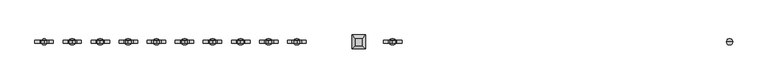
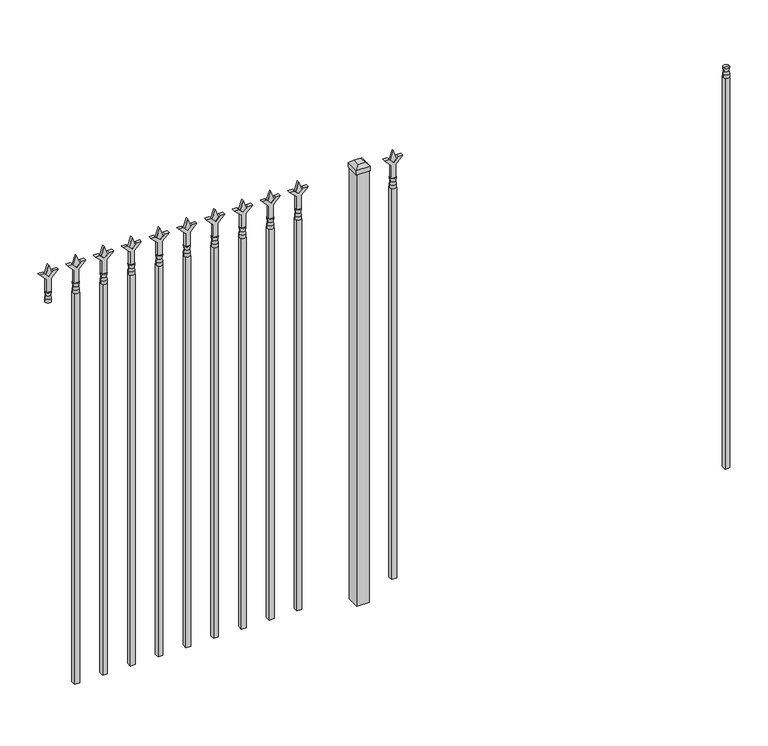
"""IFC4 building model written with IfcOpenShell, lengths in millimetres: railing geometry."""

from ifc_helpers import new_model, si_unit, frame, origin, origin_with_axes, place, context, project, spatial, polyline, circle_curve, outline, extrude, faceted_brep, source, transform, mapped, element, save
from ifc_brep_helpers import plane_surface, cylinder_surface, revolved_surface, advanced_brep


def railing_9a0eeb43(model_context):
    return source(origin(), model_context, "Body", "SolidModel", [
        advanced_brep(
        [(-64411.574337, -635.2570174, 1689.1), (-64435.386837, -635.2570174, 1689.1), (-64435.386837, -635.2570174, 1676.4), (-64411.574337, -635.2570174, 1676.4), (-64413.7796688, -635.2570174, 1701.6070585), (-64433.1815051, -635.2570174, 1701.6070585), (-64411.574337, -635.2570174, 1717.675), (-64435.386837, -635.2570174, 1717.675), (-64423.480587, -635.2570174, 1717.675), (-64423.480587, -635.2570174, 1676.4)],
        [
            (0, 1, circle_curve(frame((-64423.480587, -635.2570174, 1689.1), z_axis=(0.0, 0.0, -1.0), x_axis=(-1.0, 0.0, 0.0)), 11.90625)),
            (1, 2),
            (2, 3, circle_curve(frame((-64423.480587, -635.2570174, 1676.4), z_axis=(0.0, 0.0, 1.0), x_axis=(-1.0, 0.0, 0.0)), 11.90625)),
            (3, 0),
            (1, 0, circle_curve(frame((-64423.480587, -635.2570174, 1689.1), z_axis=(0.0, 0.0, -1.0), x_axis=(-1.0, 0.0, 0.0)), 11.90625)),
            (3, 2, circle_curve(frame((-64423.480587, -635.2570174, 1676.4), z_axis=(0.0, 0.0, 1.0), x_axis=(-1.0, 0.0, 0.0)), 11.90625)),
            (4, 5, circle_curve(frame((-64423.480587, -635.2570174, 1701.6070585), z_axis=(0.0, 0.0, -1.0), x_axis=(-1.0, 0.0, 0.0)), 9.7009181)),
            (5, 1),
            (0, 4),
            (5, 4, circle_curve(frame((-64423.480587, -635.2570174, 1701.6070585), z_axis=(0.0, 0.0, -1.0), x_axis=(-1.0, 0.0, 0.0)), 9.7009181)),
            (6, 7, circle_curve(frame((-64423.480587, -635.2570174, 1717.675), z_axis=(0.0, 0.0, -1.0), x_axis=(-1.0, 0.0, 0.0)), 11.90625)),
            (7, 5),
            (4, 6),
            (7, 6, circle_curve(frame((-64423.480587, -635.2570174, 1717.675), z_axis=(0.0, 0.0, -1.0), x_axis=(-1.0, 0.0, 0.0)), 11.90625)),
            (8, 7),
            (6, 8),
            (2, 9),
            (9, 3),
        ],
        [
            cylinder_surface(frame((-64423.480587, -635.2570174, 1676.4), z_axis=(0.0, 0.0, 1.0), x_axis=(-1.0, 0.0, 0.0)), 11.90625),
            revolved_surface(polyline([(-64435.386837, -635.2570174, 1689.1), (-64433.1815051, -635.2570174, 1701.6070585)]), (-64423.480587, -635.2570174, 1676.4), (0.0, 0.0, 1.0)),
            revolved_surface(polyline([(-64433.1815051, -635.2570174, 1701.6070585), (-64435.386837, -635.2570174, 1717.675)]), (-64423.480587, -635.2570174, 1676.4), (0.0, 0.0, 1.0)),
            plane_surface(frame((-64423.480587, -635.2570174, 1717.675), z_axis=(0.0, 0.0, 1.0), x_axis=(-1.0, 0.0, 0.0))),
            plane_surface(frame((-64423.480587, -635.2570174, 1676.4), z_axis=(0.0, 0.0, -1.0), x_axis=(-1.0, 0.0, 0.0))),
        ],
        [
            (0, [[1, 2, 3, 4]]),
            (0, [[5, -4, 6, -2]]),
            (1, [[7, 8, -1, 9]]),
            (1, [[10, -9, -5, -8]]),
            (2, [[11, 12, -7, 13]]),
            (2, [[14, -13, -10, -12]]),
            (3, [[15, -11, 16]]),
            (3, [[-16, -14, -15]]),
            (4, [[-3, 17, 18]]),
            (4, [[-6, -18, -17]]),
        ],
    ),
        extrude(outline(polyline([(-64433.005587, -625.7320174), (-64413.955587, -625.7320174), (-64413.955587, -644.7820174), (-64433.005587, -644.7820174), (-64433.005587, -625.7320174)])), frame((0.0, 0.0, 50.8), z_axis=(0.0, 0.0, 1.0), x_axis=(1.0, 0.0, 0.0)), (0.0, 0.0, 1.0), 1625.6),
        extrude(outline(polyline([(1793.08125, -65722.849337), (1828.8, -65734.755587), (1793.08125, -65746.661837), (1781.175, -65734.755587), (1793.08125, -65722.849337)])), frame((0.0, -640.0195174, 0.0), z_axis=(0.0, 1.0, 0.0), x_axis=(0.0, 0.0, 1.0)), (0.0, 0.0, 1.0), 9.525),
        extrude(outline(polyline([(1717.675, -65726.024337), (1771.9457378, -65726.024337), (1799.1355122, -65698.8345625), (1799.1355122, -65716.7950747), (1781.175, -65734.755587), (1799.1355122, -65752.7160992), (1799.1355122, -65770.6766114), (1771.9457378, -65743.486837), (1717.675, -65743.486837), (1717.675, -65726.024337)])), frame((0.0, -641.6070174, 0.0), z_axis=(0.0, 1.0, 0.0), x_axis=(0.0, 0.0, 1.0)), (0.0, 0.0, 1.0), 12.7),
        advanced_brep(
        [(-65722.849337, -635.2570174, 1689.1), (-65746.661837, -635.2570174, 1689.1), (-65746.661837, -635.2570174, 1676.4), (-65722.849337, -635.2570174, 1676.4), (-65725.0546688, -635.2570174, 1701.6070585), (-65744.4565051, -635.2570174, 1701.6070585), (-65722.849337, -635.2570174, 1717.675), (-65746.661837, -635.2570174, 1717.675), (-65734.755587, -635.2570174, 1717.675), (-65734.755587, -635.2570174, 1676.4)],
        [
            (0, 1, circle_curve(frame((-65734.755587, -635.2570174, 1689.1), z_axis=(0.0, 0.0, -1.0), x_axis=(-1.0, 0.0, 0.0)), 11.90625)),
            (1, 2),
            (2, 3, circle_curve(frame((-65734.755587, -635.2570174, 1676.4), z_axis=(0.0, 0.0, 1.0), x_axis=(-1.0, 0.0, 0.0)), 11.90625)),
            (3, 0),
            (1, 0, circle_curve(frame((-65734.755587, -635.2570174, 1689.1), z_axis=(0.0, 0.0, -1.0), x_axis=(-1.0, 0.0, 0.0)), 11.90625)),
            (3, 2, circle_curve(frame((-65734.755587, -635.2570174, 1676.4), z_axis=(0.0, 0.0, 1.0), x_axis=(-1.0, 0.0, 0.0)), 11.90625)),
            (4, 5, circle_curve(frame((-65734.755587, -635.2570174, 1701.6070585), z_axis=(0.0, 0.0, -1.0), x_axis=(-1.0, 0.0, 0.0)), 9.7009181)),
            (5, 1),
            (0, 4),
            (5, 4, circle_curve(frame((-65734.755587, -635.2570174, 1701.6070585), z_axis=(0.0, 0.0, -1.0), x_axis=(-1.0, 0.0, 0.0)), 9.7009181)),
            (6, 7, circle_curve(frame((-65734.755587, -635.2570174, 1717.675), z_axis=(0.0, 0.0, -1.0), x_axis=(-1.0, 0.0, 0.0)), 11.90625)),
            (7, 5),
            (4, 6),
            (7, 6, circle_curve(frame((-65734.755587, -635.2570174, 1717.675), z_axis=(0.0, 0.0, -1.0), x_axis=(-1.0, 0.0, 0.0)), 11.90625)),
            (8, 7),
            (6, 8),
            (2, 9),
            (9, 3),
        ],
        [
            cylinder_surface(frame((-65734.755587, -635.2570174, 1676.4), z_axis=(0.0, 0.0, 1.0), x_axis=(-1.0, 0.0, 0.0)), 11.90625),
            revolved_surface(polyline([(-65746.661837, -635.2570174, 1689.1), (-65744.4565051, -635.2570174, 1701.6070585)]), (-65734.755587, -635.2570174, 1676.4), (0.0, 0.0, 1.0)),
            revolved_surface(polyline([(-65744.4565051, -635.2570174, 1701.6070585), (-65746.661837, -635.2570174, 1717.675)]), (-65734.755587, -635.2570174, 1676.4), (0.0, 0.0, 1.0)),
            plane_surface(frame((-65734.755587, -635.2570174, 1717.675), z_axis=(0.0, 0.0, 1.0), x_axis=(-1.0, 0.0, 0.0))),
            plane_surface(frame((-65734.755587, -635.2570174, 1676.4), z_axis=(0.0, 0.0, -1.0), x_axis=(-1.0, 0.0, 0.0))),
        ],
        [
            (0, [[1, 2, 3, 4]]),
            (0, [[5, -4, 6, -2]]),
            (1, [[7, 8, -1, 9]]),
            (1, [[10, -9, -5, -8]]),
            (2, [[11, 12, -7, 13]]),
            (2, [[14, -13, -10, -12]]),
            (3, [[15, -11, 16]]),
            (3, [[-16, -14, -15]]),
            (4, [[-3, 17, 18]]),
            (4, [[-6, -18, -17]]),
        ],
    ),
        extrude(outline(polyline([(-65744.280587, -625.7320174), (-65725.230587, -625.7320174), (-65725.230587, -644.7820174), (-65744.280587, -644.7820174), (-65744.280587, -625.7320174)])), frame((0.0, 0.0, 50.8), z_axis=(0.0, 0.0, 1.0), x_axis=(1.0, 0.0, 0.0)), (0.0, 0.0, 1.0), 1625.6),
        extrude(outline(polyline([(-65841.118087, -609.8570174), (-65841.118087, -660.6570174), (-65891.918087, -660.6570174), (-65891.918087, -609.8570174), (-65841.118087, -609.8570174)])), origin_with_axes(), (0.0, 0.0, 1.0), 1797.05),
        faceted_brep([(-65893.505587, -608.2695174, 1816.1), (-65893.505587, -608.2695174, 1797.05), (-65893.505587, -662.2445174, 1797.05), (-65893.505587, -662.2445174, 1816.1), (-65880.805587, -620.9695174, 1828.8), (-65880.805587, -649.5445174, 1828.8), (-65839.530587, -662.2445174, 1797.05), (-65839.530587, -662.2445174, 1816.1), (-65852.230587, -649.5445174, 1828.8), (-65839.530587, -608.2695174, 1797.05), (-65839.530587, -608.2695174, 1816.1), (-65852.230587, -620.9695174, 1828.8)], [[[0, 1, 2, 3]], [[4, 0, 3, 5]], [[3, 2, 6, 7]], [[5, 3, 7, 8]], [[7, 6, 9, 10]], [[8, 7, 10, 11]], [[10, 9, 1, 0]], [[11, 10, 0, 4]], [[5, 8, 11, 4]], [[1, 9, 6, 2]]]),
        extrude(outline(polyline([(1793.08125, -66095.6472536), (1828.8, -66107.5535036), (1793.08125, -66119.4597536), (1781.175, -66107.5535036), (1793.08125, -66095.6472536)])), frame((0.0, -640.0195174, 0.0), z_axis=(0.0, 1.0, 0.0), x_axis=(0.0, 0.0, 1.0)), (0.0, 0.0, 1.0), 9.525),
        extrude(outline(polyline([(1717.675, -66098.8222536), (1771.9457378, -66098.8222536), (1799.1355122, -66071.6324791), (1799.1355122, -66089.5929914), (1781.175, -66107.5535036), (1799.1355122, -66125.5140159), (1799.1355122, -66143.4745281), (1771.9457378, -66116.2847536), (1717.675, -66116.2847536), (1717.675, -66098.8222536)])), frame((0.0, -641.6070174, 0.0), z_axis=(0.0, 1.0, 0.0), x_axis=(0.0, 0.0, 1.0)), (0.0, 0.0, 1.0), 12.7),
        advanced_brep(
        [(-66095.6472536, -635.2570174, 1689.1), (-66119.4597536, -635.2570174, 1689.1), (-66119.4597536, -635.2570174, 1676.4), (-66095.6472536, -635.2570174, 1676.4), (-66097.8525855, -635.2570174, 1701.6070585), (-66117.2544218, -635.2570174, 1701.6070585), (-66095.6472536, -635.2570174, 1717.675), (-66119.4597536, -635.2570174, 1717.675), (-66107.5535036, -635.2570174, 1717.675), (-66107.5535036, -635.2570174, 1676.4)],
        [
            (0, 1, circle_curve(frame((-66107.5535036, -635.2570174, 1689.1), z_axis=(0.0, 0.0, -1.0), x_axis=(-1.0, 0.0, 0.0)), 11.90625)),
            (1, 2),
            (2, 3, circle_curve(frame((-66107.5535036, -635.2570174, 1676.4), z_axis=(0.0, 0.0, 1.0), x_axis=(-1.0, 0.0, 0.0)), 11.90625)),
            (3, 0),
            (1, 0, circle_curve(frame((-66107.5535036, -635.2570174, 1689.1), z_axis=(0.0, 0.0, -1.0), x_axis=(-1.0, 0.0, 0.0)), 11.90625)),
            (3, 2, circle_curve(frame((-66107.5535036, -635.2570174, 1676.4), z_axis=(0.0, 0.0, 1.0), x_axis=(-1.0, 0.0, 0.0)), 11.90625)),
            (4, 5, circle_curve(frame((-66107.5535036, -635.2570174, 1701.6070585), z_axis=(0.0, 0.0, -1.0), x_axis=(-1.0, 0.0, 0.0)), 9.7009181)),
            (5, 1),
            (0, 4),
            (5, 4, circle_curve(frame((-66107.5535036, -635.2570174, 1701.6070585), z_axis=(0.0, 0.0, -1.0), x_axis=(-1.0, 0.0, 0.0)), 9.7009181)),
            (6, 7, circle_curve(frame((-66107.5535036, -635.2570174, 1717.675), z_axis=(0.0, 0.0, -1.0), x_axis=(-1.0, 0.0, 0.0)), 11.90625)),
            (7, 5),
            (4, 6),
            (7, 6, circle_curve(frame((-66107.5535036, -635.2570174, 1717.675), z_axis=(0.0, 0.0, -1.0), x_axis=(-1.0, 0.0, 0.0)), 11.90625)),
            (8, 7),
            (6, 8),
            (2, 9),
            (9, 3),
        ],
        [
            cylinder_surface(frame((-66107.5535036, -635.2570174, 1676.4), z_axis=(0.0, 0.0, 1.0), x_axis=(-1.0, 0.0, 0.0)), 11.90625),
            revolved_surface(polyline([(-66119.4597536, -635.2570174, 1689.1), (-66117.2544218, -635.2570174, 1701.6070585)]), (-66107.5535036, -635.2570174, 1676.4), (0.0, 0.0, 1.0)),
            revolved_surface(polyline([(-66117.2544218, -635.2570174, 1701.6070585), (-66119.4597536, -635.2570174, 1717.675)]), (-66107.5535036, -635.2570174, 1676.4), (0.0, 0.0, 1.0)),
            plane_surface(frame((-66107.5535036, -635.2570174, 1717.675), z_axis=(0.0, 0.0, 1.0), x_axis=(-1.0, 0.0, 0.0))),
            plane_surface(frame((-66107.5535036, -635.2570174, 1676.4), z_axis=(0.0, 0.0, -1.0), x_axis=(-1.0, 0.0, 0.0))),
        ],
        [
            (0, [[1, 2, 3, 4]]),
            (0, [[5, -4, 6, -2]]),
            (1, [[7, 8, -1, 9]]),
            (1, [[10, -9, -5, -8]]),
            (2, [[11, 12, -7, 13]]),
            (2, [[14, -13, -10, -12]]),
            (3, [[15, -11, 16]]),
            (3, [[-16, -14, -15]]),
            (4, [[-3, 17, 18]]),
            (4, [[-6, -18, -17]]),
        ],
    ),
        extrude(outline(polyline([(-66117.0785036, -625.7320174), (-66098.0285036, -625.7320174), (-66098.0285036, -644.7820174), (-66117.0785036, -644.7820174), (-66117.0785036, -625.7320174)])), frame((0.0, 0.0, 50.8), z_axis=(0.0, 0.0, 1.0), x_axis=(1.0, 0.0, 0.0)), (0.0, 0.0, 1.0), 1625.6),
        extrude(outline(polyline([(1793.08125, -66204.9201703), (1828.8, -66216.8264203), (1793.08125, -66228.7326703), (1781.175, -66216.8264203), (1793.08125, -66204.9201703)])), frame((0.0, -640.0195174, 0.0), z_axis=(0.0, 1.0, 0.0), x_axis=(0.0, 0.0, 1.0)), (0.0, 0.0, 1.0), 9.525),
        extrude(outline(polyline([(1717.675, -66208.0951703), (1771.9457378, -66208.0951703), (1799.1355122, -66180.9053958), (1799.1355122, -66198.8659081), (1781.175, -66216.8264203), (1799.1355122, -66234.7869325), (1799.1355122, -66252.7474448), (1771.9457378, -66225.5576703), (1717.675, -66225.5576703), (1717.675, -66208.0951703)])), frame((0.0, -641.6070174, 0.0), z_axis=(0.0, 1.0, 0.0), x_axis=(0.0, 0.0, 1.0)), (0.0, 0.0, 1.0), 12.7),
        advanced_brep(
        [(-66204.9201703, -635.2570174, 1689.1), (-66228.7326703, -635.2570174, 1689.1), (-66228.7326703, -635.2570174, 1676.4), (-66204.9201703, -635.2570174, 1676.4), (-66207.1255022, -635.2570174, 1701.6070585), (-66226.5273384, -635.2570174, 1701.6070585), (-66204.9201703, -635.2570174, 1717.675), (-66228.7326703, -635.2570174, 1717.675), (-66216.8264203, -635.2570174, 1717.675), (-66216.8264203, -635.2570174, 1676.4)],
        [
            (0, 1, circle_curve(frame((-66216.8264203, -635.2570174, 1689.1), z_axis=(0.0, 0.0, -1.0), x_axis=(-1.0, 0.0, 0.0)), 11.90625)),
            (1, 2),
            (2, 3, circle_curve(frame((-66216.8264203, -635.2570174, 1676.4), z_axis=(0.0, 0.0, 1.0), x_axis=(-1.0, 0.0, 0.0)), 11.90625)),
            (3, 0),
            (1, 0, circle_curve(frame((-66216.8264203, -635.2570174, 1689.1), z_axis=(0.0, 0.0, -1.0), x_axis=(-1.0, 0.0, 0.0)), 11.90625)),
            (3, 2, circle_curve(frame((-66216.8264203, -635.2570174, 1676.4), z_axis=(0.0, 0.0, 1.0), x_axis=(-1.0, 0.0, 0.0)), 11.90625)),
            (4, 5, circle_curve(frame((-66216.8264203, -635.2570174, 1701.6070585), z_axis=(0.0, 0.0, -1.0), x_axis=(-1.0, 0.0, 0.0)), 9.7009181)),
            (5, 1),
            (0, 4),
            (5, 4, circle_curve(frame((-66216.8264203, -635.2570174, 1701.6070585), z_axis=(0.0, 0.0, -1.0), x_axis=(-1.0, 0.0, 0.0)), 9.7009181)),
            (6, 7, circle_curve(frame((-66216.8264203, -635.2570174, 1717.675), z_axis=(0.0, 0.0, -1.0), x_axis=(-1.0, 0.0, 0.0)), 11.90625)),
            (7, 5),
            (4, 6),
            (7, 6, circle_curve(frame((-66216.8264203, -635.2570174, 1717.675), z_axis=(0.0, 0.0, -1.0), x_axis=(-1.0, 0.0, 0.0)), 11.90625)),
            (8, 7),
            (6, 8),
            (2, 9),
            (9, 3),
        ],
        [
            cylinder_surface(frame((-66216.8264203, -635.2570174, 1676.4), z_axis=(0.0, 0.0, 1.0), x_axis=(-1.0, 0.0, 0.0)), 11.90625),
            revolved_surface(polyline([(-66228.7326703, -635.2570174, 1689.1), (-66226.5273384, -635.2570174, 1701.6070585)]), (-66216.8264203, -635.2570174, 1676.4), (0.0, 0.0, 1.0)),
            revolved_surface(polyline([(-66226.5273384, -635.2570174, 1701.6070585), (-66228.7326703, -635.2570174, 1717.675)]), (-66216.8264203, -635.2570174, 1676.4), (0.0, 0.0, 1.0)),
            plane_surface(frame((-66216.8264203, -635.2570174, 1717.675), z_axis=(0.0, 0.0, 1.0), x_axis=(-1.0, 0.0, 0.0))),
            plane_surface(frame((-66216.8264203, -635.2570174, 1676.4), z_axis=(0.0, 0.0, -1.0), x_axis=(-1.0, 0.0, 0.0))),
        ],
        [
            (0, [[1, 2, 3, 4]]),
            (0, [[5, -4, 6, -2]]),
            (1, [[7, 8, -1, 9]]),
            (1, [[10, -9, -5, -8]]),
            (2, [[11, 12, -7, 13]]),
            (2, [[14, -13, -10, -12]]),
            (3, [[15, -11, 16]]),
            (3, [[-16, -14, -15]]),
            (4, [[-3, 17, 18]]),
            (4, [[-6, -18, -17]]),
        ],
    ),
        extrude(outline(polyline([(-66226.3514203, -625.7320174), (-66207.3014203, -625.7320174), (-66207.3014203, -644.7820174), (-66226.3514203, -644.7820174), (-66226.3514203, -625.7320174)])), frame((0.0, 0.0, 50.8), z_axis=(0.0, 0.0, 1.0), x_axis=(1.0, 0.0, 0.0)), (0.0, 0.0, 1.0), 1625.6),
        extrude(outline(polyline([(1793.08125, -66314.193087), (1828.8, -66326.099337), (1793.08125, -66338.005587), (1781.175, -66326.099337), (1793.08125, -66314.193087)])), frame((0.0, -640.0195174, 0.0), z_axis=(0.0, 1.0, 0.0), x_axis=(0.0, 0.0, 1.0)), (0.0, 0.0, 1.0), 9.525),
        extrude(outline(polyline([(1717.675, -66317.368087), (1771.9457378, -66317.368087), (1799.1355122, -66290.1783125), (1799.1355122, -66308.1388247), (1781.175, -66326.099337), (1799.1355122, -66344.0598492), (1799.1355122, -66362.0203614), (1771.9457378, -66334.830587), (1717.675, -66334.830587), (1717.675, -66317.368087)])), frame((0.0, -641.6070174, 0.0), z_axis=(0.0, 1.0, 0.0), x_axis=(0.0, 0.0, 1.0)), (0.0, 0.0, 1.0), 12.7),
        advanced_brep(
        [(-66314.193087, -635.2570174, 1689.1), (-66338.005587, -635.2570174, 1689.1), (-66338.005587, -635.2570174, 1676.4), (-66314.193087, -635.2570174, 1676.4), (-66316.3984188, -635.2570174, 1701.6070585), (-66335.8002551, -635.2570174, 1701.6070585), (-66314.193087, -635.2570174, 1717.675), (-66338.005587, -635.2570174, 1717.675), (-66326.099337, -635.2570174, 1717.675), (-66326.099337, -635.2570174, 1676.4)],
        [
            (0, 1, circle_curve(frame((-66326.099337, -635.2570174, 1689.1), z_axis=(0.0, 0.0, -1.0), x_axis=(-1.0, 0.0, 0.0)), 11.90625)),
            (1, 2),
            (2, 3, circle_curve(frame((-66326.099337, -635.2570174, 1676.4), z_axis=(0.0, 0.0, 1.0), x_axis=(-1.0, 0.0, 0.0)), 11.90625)),
            (3, 0),
            (1, 0, circle_curve(frame((-66326.099337, -635.2570174, 1689.1), z_axis=(0.0, 0.0, -1.0), x_axis=(-1.0, 0.0, 0.0)), 11.90625)),
            (3, 2, circle_curve(frame((-66326.099337, -635.2570174, 1676.4), z_axis=(0.0, 0.0, 1.0), x_axis=(-1.0, 0.0, 0.0)), 11.90625)),
            (4, 5, circle_curve(frame((-66326.099337, -635.2570174, 1701.6070585), z_axis=(0.0, 0.0, -1.0), x_axis=(-1.0, 0.0, 0.0)), 9.7009181)),
            (5, 1),
            (0, 4),
            (5, 4, circle_curve(frame((-66326.099337, -635.2570174, 1701.6070585), z_axis=(0.0, 0.0, -1.0), x_axis=(-1.0, 0.0, 0.0)), 9.7009181)),
            (6, 7, circle_curve(frame((-66326.099337, -635.2570174, 1717.675), z_axis=(0.0, 0.0, -1.0), x_axis=(-1.0, 0.0, 0.0)), 11.90625)),
            (7, 5),
            (4, 6),
            (7, 6, circle_curve(frame((-66326.099337, -635.2570174, 1717.675), z_axis=(0.0, 0.0, -1.0), x_axis=(-1.0, 0.0, 0.0)), 11.90625)),
            (8, 7),
            (6, 8),
            (2, 9),
            (9, 3),
        ],
        [
            cylinder_surface(frame((-66326.099337, -635.2570174, 1676.4), z_axis=(0.0, 0.0, 1.0), x_axis=(-1.0, 0.0, 0.0)), 11.90625),
            revolved_surface(polyline([(-66338.005587, -635.2570174, 1689.1), (-66335.8002551, -635.2570174, 1701.6070585)]), (-66326.099337, -635.2570174, 1676.4), (0.0, 0.0, 1.0)),
            revolved_surface(polyline([(-66335.8002551, -635.2570174, 1701.6070585), (-66338.005587, -635.2570174, 1717.675)]), (-66326.099337, -635.2570174, 1676.4), (0.0, 0.0, 1.0)),
            plane_surface(frame((-66326.099337, -635.2570174, 1717.675), z_axis=(0.0, 0.0, 1.0), x_axis=(-1.0, 0.0, 0.0))),
            plane_surface(frame((-66326.099337, -635.2570174, 1676.4), z_axis=(0.0, 0.0, -1.0), x_axis=(-1.0, 0.0, 0.0))),
        ],
        [
            (0, [[1, 2, 3, 4]]),
            (0, [[5, -4, 6, -2]]),
            (1, [[7, 8, -1, 9]]),
            (1, [[10, -9, -5, -8]]),
            (2, [[11, 12, -7, 13]]),
            (2, [[14, -13, -10, -12]]),
            (3, [[15, -11, 16]]),
            (3, [[-16, -14, -15]]),
            (4, [[-3, 17, 18]]),
            (4, [[-6, -18, -17]]),
        ],
    ),
        extrude(outline(polyline([(-66335.624337, -625.7320174), (-66316.574337, -625.7320174), (-66316.574337, -644.7820174), (-66335.624337, -644.7820174), (-66335.624337, -625.7320174)])), frame((0.0, 0.0, 50.8), z_axis=(0.0, 0.0, 1.0), x_axis=(1.0, 0.0, 0.0)), (0.0, 0.0, 1.0), 1625.6),
        extrude(outline(polyline([(1793.08125, -66423.4660036), (1828.8, -66435.3722536), (1793.08125, -66447.2785036), (1781.175, -66435.3722536), (1793.08125, -66423.4660036)])), frame((0.0, -640.0195174, 0.0), z_axis=(0.0, 1.0, 0.0), x_axis=(0.0, 0.0, 1.0)), (0.0, 0.0, 1.0), 9.525),
        extrude(outline(polyline([(1717.675, -66426.6410036), (1771.9457378, -66426.6410036), (1799.1355122, -66399.4512291), (1799.1355122, -66417.4117414), (1781.175, -66435.3722536), (1799.1355122, -66453.3327659), (1799.1355122, -66471.2932781), (1771.9457378, -66444.1035036), (1717.675, -66444.1035036), (1717.675, -66426.6410036)])), frame((0.0, -641.6070174, 0.0), z_axis=(0.0, 1.0, 0.0), x_axis=(0.0, 0.0, 1.0)), (0.0, 0.0, 1.0), 12.7),
        advanced_brep(
        [(-66423.4660036, -635.2570174, 1689.1), (-66447.2785036, -635.2570174, 1689.1), (-66447.2785036, -635.2570174, 1676.4), (-66423.4660036, -635.2570174, 1676.4), (-66425.6713355, -635.2570174, 1701.6070585), (-66445.0731718, -635.2570174, 1701.6070585), (-66423.4660036, -635.2570174, 1717.675), (-66447.2785036, -635.2570174, 1717.675), (-66435.3722536, -635.2570174, 1717.675), (-66435.3722536, -635.2570174, 1676.4)],
        [
            (0, 1, circle_curve(frame((-66435.3722536, -635.2570174, 1689.1), z_axis=(0.0, 0.0, -1.0), x_axis=(-1.0, 0.0, 0.0)), 11.90625)),
            (1, 2),
            (2, 3, circle_curve(frame((-66435.3722536, -635.2570174, 1676.4), z_axis=(0.0, 0.0, 1.0), x_axis=(-1.0, 0.0, 0.0)), 11.90625)),
            (3, 0),
            (1, 0, circle_curve(frame((-66435.3722536, -635.2570174, 1689.1), z_axis=(0.0, 0.0, -1.0), x_axis=(-1.0, 0.0, 0.0)), 11.90625)),
            (3, 2, circle_curve(frame((-66435.3722536, -635.2570174, 1676.4), z_axis=(0.0, 0.0, 1.0), x_axis=(-1.0, 0.0, 0.0)), 11.90625)),
            (4, 5, circle_curve(frame((-66435.3722536, -635.2570174, 1701.6070585), z_axis=(0.0, 0.0, -1.0), x_axis=(-1.0, 0.0, 0.0)), 9.7009181)),
            (5, 1),
            (0, 4),
            (5, 4, circle_curve(frame((-66435.3722536, -635.2570174, 1701.6070585), z_axis=(0.0, 0.0, -1.0), x_axis=(-1.0, 0.0, 0.0)), 9.7009181)),
            (6, 7, circle_curve(frame((-66435.3722536, -635.2570174, 1717.675), z_axis=(0.0, 0.0, -1.0), x_axis=(-1.0, 0.0, 0.0)), 11.90625)),
            (7, 5),
            (4, 6),
            (7, 6, circle_curve(frame((-66435.3722536, -635.2570174, 1717.675), z_axis=(0.0, 0.0, -1.0), x_axis=(-1.0, 0.0, 0.0)), 11.90625)),
            (8, 7),
            (6, 8),
            (2, 9),
            (9, 3),
        ],
        [
            cylinder_surface(frame((-66435.3722536, -635.2570174, 1676.4), z_axis=(0.0, 0.0, 1.0), x_axis=(-1.0, 0.0, 0.0)), 11.90625),
            revolved_surface(polyline([(-66447.2785036, -635.2570174, 1689.1), (-66445.0731718, -635.2570174, 1701.6070585)]), (-66435.3722536, -635.2570174, 1676.4), (0.0, 0.0, 1.0)),
            revolved_surface(polyline([(-66445.0731718, -635.2570174, 1701.6070585), (-66447.2785036, -635.2570174, 1717.675)]), (-66435.3722536, -635.2570174, 1676.4), (0.0, 0.0, 1.0)),
            plane_surface(frame((-66435.3722536, -635.2570174, 1717.675), z_axis=(0.0, 0.0, 1.0), x_axis=(-1.0, 0.0, 0.0))),
            plane_surface(frame((-66435.3722536, -635.2570174, 1676.4), z_axis=(0.0, 0.0, -1.0), x_axis=(-1.0, 0.0, 0.0))),
        ],
        [
            (0, [[1, 2, 3, 4]]),
            (0, [[5, -4, 6, -2]]),
            (1, [[7, 8, -1, 9]]),
            (1, [[10, -9, -5, -8]]),
            (2, [[11, 12, -7, 13]]),
            (2, [[14, -13, -10, -12]]),
            (3, [[15, -11, 16]]),
            (3, [[-16, -14, -15]]),
            (4, [[-3, 17, 18]]),
            (4, [[-6, -18, -17]]),
        ],
    ),
        extrude(outline(polyline([(-66444.8972536, -625.7320174), (-66425.8472536, -625.7320174), (-66425.8472536, -644.7820174), (-66444.8972536, -644.7820174), (-66444.8972536, -625.7320174)])), frame((0.0, 0.0, 50.8), z_axis=(0.0, 0.0, 1.0), x_axis=(1.0, 0.0, 0.0)), (0.0, 0.0, 1.0), 1625.6),
        extrude(outline(polyline([(1793.08125, -66532.7389203), (1828.8, -66544.6451703), (1793.08125, -66556.5514203), (1781.175, -66544.6451703), (1793.08125, -66532.7389203)])), frame((0.0, -640.0195174, 0.0), z_axis=(0.0, 1.0, 0.0), x_axis=(0.0, 0.0, 1.0)), (0.0, 0.0, 1.0), 9.525),
        extrude(outline(polyline([(1717.675, -66535.9139203), (1771.9457378, -66535.9139203), (1799.1355122, -66508.7241458), (1799.1355122, -66526.6846581), (1781.175, -66544.6451703), (1799.1355122, -66562.6056825), (1799.1355122, -66580.5661948), (1771.9457378, -66553.3764203), (1717.675, -66553.3764203), (1717.675, -66535.9139203)])), frame((0.0, -641.6070174, 0.0), z_axis=(0.0, 1.0, 0.0), x_axis=(0.0, 0.0, 1.0)), (0.0, 0.0, 1.0), 12.7),
        advanced_brep(
        [(-66532.7389203, -635.2570174, 1689.1), (-66556.5514203, -635.2570174, 1689.1), (-66556.5514203, -635.2570174, 1676.4), (-66532.7389203, -635.2570174, 1676.4), (-66534.9442522, -635.2570174, 1701.6070585), (-66554.3460884, -635.2570174, 1701.6070585), (-66532.7389203, -635.2570174, 1717.675), (-66556.5514203, -635.2570174, 1717.675), (-66544.6451703, -635.2570174, 1717.675), (-66544.6451703, -635.2570174, 1676.4)],
        [
            (0, 1, circle_curve(frame((-66544.6451703, -635.2570174, 1689.1), z_axis=(0.0, 0.0, -1.0), x_axis=(-1.0, 0.0, 0.0)), 11.90625)),
            (1, 2),
            (2, 3, circle_curve(frame((-66544.6451703, -635.2570174, 1676.4), z_axis=(0.0, 0.0, 1.0), x_axis=(-1.0, 0.0, 0.0)), 11.90625)),
            (3, 0),
            (1, 0, circle_curve(frame((-66544.6451703, -635.2570174, 1689.1), z_axis=(0.0, 0.0, -1.0), x_axis=(-1.0, 0.0, 0.0)), 11.90625)),
            (3, 2, circle_curve(frame((-66544.6451703, -635.2570174, 1676.4), z_axis=(0.0, 0.0, 1.0), x_axis=(-1.0, 0.0, 0.0)), 11.90625)),
            (4, 5, circle_curve(frame((-66544.6451703, -635.2570174, 1701.6070585), z_axis=(0.0, 0.0, -1.0), x_axis=(-1.0, 0.0, 0.0)), 9.7009181)),
            (5, 1),
            (0, 4),
            (5, 4, circle_curve(frame((-66544.6451703, -635.2570174, 1701.6070585), z_axis=(0.0, 0.0, -1.0), x_axis=(-1.0, 0.0, 0.0)), 9.7009181)),
            (6, 7, circle_curve(frame((-66544.6451703, -635.2570174, 1717.675), z_axis=(0.0, 0.0, -1.0), x_axis=(-1.0, 0.0, 0.0)), 11.90625)),
            (7, 5),
            (4, 6),
            (7, 6, circle_curve(frame((-66544.6451703, -635.2570174, 1717.675), z_axis=(0.0, 0.0, -1.0), x_axis=(-1.0, 0.0, 0.0)), 11.90625)),
            (8, 7),
            (6, 8),
            (2, 9),
            (9, 3),
        ],
        [
            cylinder_surface(frame((-66544.6451703, -635.2570174, 1676.4), z_axis=(0.0, 0.0, 1.0), x_axis=(-1.0, 0.0, 0.0)), 11.90625),
            revolved_surface(polyline([(-66556.5514203, -635.2570174, 1689.1), (-66554.3460884, -635.2570174, 1701.6070585)]), (-66544.6451703, -635.2570174, 1676.4), (0.0, 0.0, 1.0)),
            revolved_surface(polyline([(-66554.3460884, -635.2570174, 1701.6070585), (-66556.5514203, -635.2570174, 1717.675)]), (-66544.6451703, -635.2570174, 1676.4), (0.0, 0.0, 1.0)),
            plane_surface(frame((-66544.6451703, -635.2570174, 1717.675), z_axis=(0.0, 0.0, 1.0), x_axis=(-1.0, 0.0, 0.0))),
            plane_surface(frame((-66544.6451703, -635.2570174, 1676.4), z_axis=(0.0, 0.0, -1.0), x_axis=(-1.0, 0.0, 0.0))),
        ],
        [
            (0, [[1, 2, 3, 4]]),
            (0, [[5, -4, 6, -2]]),
            (1, [[7, 8, -1, 9]]),
            (1, [[10, -9, -5, -8]]),
            (2, [[11, 12, -7, 13]]),
            (2, [[14, -13, -10, -12]]),
            (3, [[15, -11, 16]]),
            (3, [[-16, -14, -15]]),
            (4, [[-3, 17, 18]]),
            (4, [[-6, -18, -17]]),
        ],
    ),
        extrude(outline(polyline([(-66554.1701703, -625.7320174), (-66535.1201703, -625.7320174), (-66535.1201703, -644.7820174), (-66554.1701703, -644.7820174), (-66554.1701703, -625.7320174)])), frame((0.0, 0.0, 50.8), z_axis=(0.0, 0.0, 1.0), x_axis=(1.0, 0.0, 0.0)), (0.0, 0.0, 1.0), 1625.6),
        extrude(outline(polyline([(1793.08125, -66642.011837), (1828.8, -66653.918087), (1793.08125, -66665.824337), (1781.175, -66653.918087), (1793.08125, -66642.011837)])), frame((0.0, -640.0195174, 0.0), z_axis=(0.0, 1.0, 0.0), x_axis=(0.0, 0.0, 1.0)), (0.0, 0.0, 1.0), 9.525),
        extrude(outline(polyline([(1717.675, -66645.186837), (1771.9457378, -66645.186837), (1799.1355122, -66617.9970625), (1799.1355122, -66635.9575747), (1781.175, -66653.918087), (1799.1355122, -66671.8785992), (1799.1355122, -66689.8391114), (1771.9457378, -66662.649337), (1717.675, -66662.649337), (1717.675, -66645.186837)])), frame((0.0, -641.6070174, 0.0), z_axis=(0.0, 1.0, 0.0), x_axis=(0.0, 0.0, 1.0)), (0.0, 0.0, 1.0), 12.7),
        advanced_brep(
        [(-66642.011837, -635.2570174, 1689.1), (-66665.824337, -635.2570174, 1689.1), (-66665.824337, -635.2570174, 1676.4), (-66642.011837, -635.2570174, 1676.4), (-66644.2171688, -635.2570174, 1701.6070585), (-66663.6190051, -635.2570174, 1701.6070585), (-66642.011837, -635.2570174, 1717.675), (-66665.824337, -635.2570174, 1717.675), (-66653.918087, -635.2570174, 1717.675), (-66653.918087, -635.2570174, 1676.4)],
        [
            (0, 1, circle_curve(frame((-66653.918087, -635.2570174, 1689.1), z_axis=(0.0, 0.0, -1.0), x_axis=(-1.0, 0.0, 0.0)), 11.90625)),
            (1, 2),
            (2, 3, circle_curve(frame((-66653.918087, -635.2570174, 1676.4), z_axis=(0.0, 0.0, 1.0), x_axis=(-1.0, 0.0, 0.0)), 11.90625)),
            (3, 0),
            (1, 0, circle_curve(frame((-66653.918087, -635.2570174, 1689.1), z_axis=(0.0, 0.0, -1.0), x_axis=(-1.0, 0.0, 0.0)), 11.90625)),
            (3, 2, circle_curve(frame((-66653.918087, -635.2570174, 1676.4), z_axis=(0.0, 0.0, 1.0), x_axis=(-1.0, 0.0, 0.0)), 11.90625)),
            (4, 5, circle_curve(frame((-66653.918087, -635.2570174, 1701.6070585), z_axis=(0.0, 0.0, -1.0), x_axis=(-1.0, 0.0, 0.0)), 9.7009181)),
            (5, 1),
            (0, 4),
            (5, 4, circle_curve(frame((-66653.918087, -635.2570174, 1701.6070585), z_axis=(0.0, 0.0, -1.0), x_axis=(-1.0, 0.0, 0.0)), 9.7009181)),
            (6, 7, circle_curve(frame((-66653.918087, -635.2570174, 1717.675), z_axis=(0.0, 0.0, -1.0), x_axis=(-1.0, 0.0, 0.0)), 11.90625)),
            (7, 5),
            (4, 6),
            (7, 6, circle_curve(frame((-66653.918087, -635.2570174, 1717.675), z_axis=(0.0, 0.0, -1.0), x_axis=(-1.0, 0.0, 0.0)), 11.90625)),
            (8, 7),
            (6, 8),
            (2, 9),
            (9, 3),
        ],
        [
            cylinder_surface(frame((-66653.918087, -635.2570174, 1676.4), z_axis=(0.0, 0.0, 1.0), x_axis=(-1.0, 0.0, 0.0)), 11.90625),
            revolved_surface(polyline([(-66665.824337, -635.2570174, 1689.1), (-66663.6190051, -635.2570174, 1701.6070585)]), (-66653.918087, -635.2570174, 1676.4), (0.0, 0.0, 1.0)),
            revolved_surface(polyline([(-66663.6190051, -635.2570174, 1701.6070585), (-66665.824337, -635.2570174, 1717.675)]), (-66653.918087, -635.2570174, 1676.4), (0.0, 0.0, 1.0)),
            plane_surface(frame((-66653.918087, -635.2570174, 1717.675), z_axis=(0.0, 0.0, 1.0), x_axis=(-1.0, 0.0, 0.0))),
            plane_surface(frame((-66653.918087, -635.2570174, 1676.4), z_axis=(0.0, 0.0, -1.0), x_axis=(-1.0, 0.0, 0.0))),
        ],
        [
            (0, [[1, 2, 3, 4]]),
            (0, [[5, -4, 6, -2]]),
            (1, [[7, 8, -1, 9]]),
            (1, [[10, -9, -5, -8]]),
            (2, [[11, 12, -7, 13]]),
            (2, [[14, -13, -10, -12]]),
            (3, [[15, -11, 16]]),
            (3, [[-16, -14, -15]]),
            (4, [[-3, 17, 18]]),
            (4, [[-6, -18, -17]]),
        ],
    ),
        extrude(outline(polyline([(-66663.443087, -625.7320174), (-66644.393087, -625.7320174), (-66644.393087, -644.7820174), (-66663.443087, -644.7820174), (-66663.443087, -625.7320174)])), frame((0.0, 0.0, 50.8), z_axis=(0.0, 0.0, 1.0), x_axis=(1.0, 0.0, 0.0)), (0.0, 0.0, 1.0), 1625.6),
        extrude(outline(polyline([(1793.08125, -66751.2847536), (1828.8, -66763.1910036), (1793.08125, -66775.0972536), (1781.175, -66763.1910036), (1793.08125, -66751.2847536)])), frame((0.0, -640.0195174, 0.0), z_axis=(0.0, 1.0, 0.0), x_axis=(0.0, 0.0, 1.0)), (0.0, 0.0, 1.0), 9.525),
        extrude(outline(polyline([(1717.675, -66754.4597536), (1771.9457378, -66754.4597536), (1799.1355122, -66727.2699791), (1799.1355122, -66745.2304914), (1781.175, -66763.1910036), (1799.1355122, -66781.1515159), (1799.1355122, -66799.1120281), (1771.9457378, -66771.9222536), (1717.675, -66771.9222536), (1717.675, -66754.4597536)])), frame((0.0, -641.6070174, 0.0), z_axis=(0.0, 1.0, 0.0), x_axis=(0.0, 0.0, 1.0)), (0.0, 0.0, 1.0), 12.7),
        advanced_brep(
        [(-66751.2847536, -635.2570174, 1689.1), (-66775.0972536, -635.2570174, 1689.1), (-66775.0972536, -635.2570174, 1676.4), (-66751.2847536, -635.2570174, 1676.4), (-66753.4900855, -635.2570174, 1701.6070585), (-66772.8919218, -635.2570174, 1701.6070585), (-66751.2847536, -635.2570174, 1717.675), (-66775.0972536, -635.2570174, 1717.675), (-66763.1910036, -635.2570174, 1717.675), (-66763.1910036, -635.2570174, 1676.4)],
        [
            (0, 1, circle_curve(frame((-66763.1910036, -635.2570174, 1689.1), z_axis=(0.0, 0.0, -1.0), x_axis=(-1.0, 0.0, 0.0)), 11.90625)),
            (1, 2),
            (2, 3, circle_curve(frame((-66763.1910036, -635.2570174, 1676.4), z_axis=(0.0, 0.0, 1.0), x_axis=(-1.0, 0.0, 0.0)), 11.90625)),
            (3, 0),
            (1, 0, circle_curve(frame((-66763.1910036, -635.2570174, 1689.1), z_axis=(0.0, 0.0, -1.0), x_axis=(-1.0, 0.0, 0.0)), 11.90625)),
            (3, 2, circle_curve(frame((-66763.1910036, -635.2570174, 1676.4), z_axis=(0.0, 0.0, 1.0), x_axis=(-1.0, 0.0, 0.0)), 11.90625)),
            (4, 5, circle_curve(frame((-66763.1910036, -635.2570174, 1701.6070585), z_axis=(0.0, 0.0, -1.0), x_axis=(-1.0, 0.0, 0.0)), 9.7009181)),
            (5, 1),
            (0, 4),
            (5, 4, circle_curve(frame((-66763.1910036, -635.2570174, 1701.6070585), z_axis=(0.0, 0.0, -1.0), x_axis=(-1.0, 0.0, 0.0)), 9.7009181)),
            (6, 7, circle_curve(frame((-66763.1910036, -635.2570174, 1717.675), z_axis=(0.0, 0.0, -1.0), x_axis=(-1.0, 0.0, 0.0)), 11.90625)),
            (7, 5),
            (4, 6),
            (7, 6, circle_curve(frame((-66763.1910036, -635.2570174, 1717.675), z_axis=(0.0, 0.0, -1.0), x_axis=(-1.0, 0.0, 0.0)), 11.90625)),
            (8, 7),
            (6, 8),
            (2, 9),
            (9, 3),
        ],
        [
            cylinder_surface(frame((-66763.1910036, -635.2570174, 1676.4), z_axis=(0.0, 0.0, 1.0), x_axis=(-1.0, 0.0, 0.0)), 11.90625),
            revolved_surface(polyline([(-66775.0972536, -635.2570174, 1689.1), (-66772.8919218, -635.2570174, 1701.6070585)]), (-66763.1910036, -635.2570174, 1676.4), (0.0, 0.0, 1.0)),
            revolved_surface(polyline([(-66772.8919218, -635.2570174, 1701.6070585), (-66775.0972536, -635.2570174, 1717.675)]), (-66763.1910036, -635.2570174, 1676.4), (0.0, 0.0, 1.0)),
            plane_surface(frame((-66763.1910036, -635.2570174, 1717.675), z_axis=(0.0, 0.0, 1.0), x_axis=(-1.0, 0.0, 0.0))),
            plane_surface(frame((-66763.1910036, -635.2570174, 1676.4), z_axis=(0.0, 0.0, -1.0), x_axis=(-1.0, 0.0, 0.0))),
        ],
        [
            (0, [[1, 2, 3, 4]]),
            (0, [[5, -4, 6, -2]]),
            (1, [[7, 8, -1, 9]]),
            (1, [[10, -9, -5, -8]]),
            (2, [[11, 12, -7, 13]]),
            (2, [[14, -13, -10, -12]]),
            (3, [[15, -11, 16]]),
            (3, [[-16, -14, -15]]),
            (4, [[-3, 17, 18]]),
            (4, [[-6, -18, -17]]),
        ],
    ),
        extrude(outline(polyline([(-66772.7160036, -625.7320174), (-66753.6660036, -625.7320174), (-66753.6660036, -644.7820174), (-66772.7160036, -644.7820174), (-66772.7160036, -625.7320174)])), frame((0.0, 0.0, 50.8), z_axis=(0.0, 0.0, 1.0), x_axis=(1.0, 0.0, 0.0)), (0.0, 0.0, 1.0), 1625.6),
        extrude(outline(polyline([(1793.08125, -66860.5576703), (1828.8, -66872.4639203), (1793.08125, -66884.3701703), (1781.175, -66872.4639203), (1793.08125, -66860.5576703)])), frame((0.0, -640.0195174, 0.0), z_axis=(0.0, 1.0, 0.0), x_axis=(0.0, 0.0, 1.0)), (0.0, 0.0, 1.0), 9.525),
        extrude(outline(polyline([(1717.675, -66863.7326703), (1771.9457378, -66863.7326703), (1799.1355122, -66836.5428958), (1799.1355122, -66854.5034081), (1781.175, -66872.4639203), (1799.1355122, -66890.4244325), (1799.1355122, -66908.3849448), (1771.9457378, -66881.1951703), (1717.675, -66881.1951703), (1717.675, -66863.7326703)])), frame((0.0, -641.6070174, 0.0), z_axis=(0.0, 1.0, 0.0), x_axis=(0.0, 0.0, 1.0)), (0.0, 0.0, 1.0), 12.7),
        advanced_brep(
        [(-66860.5576703, -635.2570174, 1689.1), (-66884.3701703, -635.2570174, 1689.1), (-66884.3701703, -635.2570174, 1676.4), (-66860.5576703, -635.2570174, 1676.4), (-66862.7630022, -635.2570174, 1701.6070585), (-66882.1648384, -635.2570174, 1701.6070585), (-66860.5576703, -635.2570174, 1717.675), (-66884.3701703, -635.2570174, 1717.675), (-66872.4639203, -635.2570174, 1717.675), (-66872.4639203, -635.2570174, 1676.4)],
        [
            (0, 1, circle_curve(frame((-66872.4639203, -635.2570174, 1689.1), z_axis=(0.0, 0.0, -1.0), x_axis=(-1.0, 0.0, 0.0)), 11.90625)),
            (1, 2),
            (2, 3, circle_curve(frame((-66872.4639203, -635.2570174, 1676.4), z_axis=(0.0, 0.0, 1.0), x_axis=(-1.0, 0.0, 0.0)), 11.90625)),
            (3, 0),
            (1, 0, circle_curve(frame((-66872.4639203, -635.2570174, 1689.1), z_axis=(0.0, 0.0, -1.0), x_axis=(-1.0, 0.0, 0.0)), 11.90625)),
            (3, 2, circle_curve(frame((-66872.4639203, -635.2570174, 1676.4), z_axis=(0.0, 0.0, 1.0), x_axis=(-1.0, 0.0, 0.0)), 11.90625)),
            (4, 5, circle_curve(frame((-66872.4639203, -635.2570174, 1701.6070585), z_axis=(0.0, 0.0, -1.0), x_axis=(-1.0, 0.0, 0.0)), 9.7009181)),
            (5, 1),
            (0, 4),
            (5, 4, circle_curve(frame((-66872.4639203, -635.2570174, 1701.6070585), z_axis=(0.0, 0.0, -1.0), x_axis=(-1.0, 0.0, 0.0)), 9.7009181)),
            (6, 7, circle_curve(frame((-66872.4639203, -635.2570174, 1717.675), z_axis=(0.0, 0.0, -1.0), x_axis=(-1.0, 0.0, 0.0)), 11.90625)),
            (7, 5),
            (4, 6),
            (7, 6, circle_curve(frame((-66872.4639203, -635.2570174, 1717.675), z_axis=(0.0, 0.0, -1.0), x_axis=(-1.0, 0.0, 0.0)), 11.90625)),
            (8, 7),
            (6, 8),
            (2, 9),
            (9, 3),
        ],
        [
            cylinder_surface(frame((-66872.4639203, -635.2570174, 1676.4), z_axis=(0.0, 0.0, 1.0), x_axis=(-1.0, 0.0, 0.0)), 11.90625),
            revolved_surface(polyline([(-66884.3701703, -635.2570174, 1689.1), (-66882.1648384, -635.2570174, 1701.6070585)]), (-66872.4639203, -635.2570174, 1676.4), (0.0, 0.0, 1.0)),
            revolved_surface(polyline([(-66882.1648384, -635.2570174, 1701.6070585), (-66884.3701703, -635.2570174, 1717.675)]), (-66872.4639203, -635.2570174, 1676.4), (0.0, 0.0, 1.0)),
            plane_surface(frame((-66872.4639203, -635.2570174, 1717.675), z_axis=(0.0, 0.0, 1.0), x_axis=(-1.0, 0.0, 0.0))),
            plane_surface(frame((-66872.4639203, -635.2570174, 1676.4), z_axis=(0.0, 0.0, -1.0), x_axis=(-1.0, 0.0, 0.0))),
        ],
        [
            (0, [[1, 2, 3, 4]]),
            (0, [[5, -4, 6, -2]]),
            (1, [[7, 8, -1, 9]]),
            (1, [[10, -9, -5, -8]]),
            (2, [[11, 12, -7, 13]]),
            (2, [[14, -13, -10, -12]]),
            (3, [[15, -11, 16]]),
            (3, [[-16, -14, -15]]),
            (4, [[-3, 17, 18]]),
            (4, [[-6, -18, -17]]),
        ],
    ),
        extrude(outline(polyline([(-66881.9889203, -625.7320174), (-66862.9389203, -625.7320174), (-66862.9389203, -644.7820174), (-66881.9889203, -644.7820174), (-66881.9889203, -625.7320174)])), frame((0.0, 0.0, 50.8), z_axis=(0.0, 0.0, 1.0), x_axis=(1.0, 0.0, 0.0)), (0.0, 0.0, 1.0), 1625.6),
        extrude(outline(polyline([(1793.08125, -66969.830587), (1828.8, -66981.736837), (1793.08125, -66993.643087), (1781.175, -66981.736837), (1793.08125, -66969.830587)])), frame((0.0, -640.0195174, 0.0), z_axis=(0.0, 1.0, 0.0), x_axis=(0.0, 0.0, 1.0)), (0.0, 0.0, 1.0), 9.525),
        extrude(outline(polyline([(1717.675, -66973.005587), (1771.9457378, -66973.005587), (1799.1355122, -66945.8158125), (1799.1355122, -66963.7763247), (1781.175, -66981.736837), (1799.1355122, -66999.6973492), (1799.1355122, -67017.6578614), (1771.9457378, -66990.468087), (1717.675, -66990.468087), (1717.675, -66973.005587)])), frame((0.0, -641.6070174, 0.0), z_axis=(0.0, 1.0, 0.0), x_axis=(0.0, 0.0, 1.0)), (0.0, 0.0, 1.0), 12.7),
        advanced_brep(
        [(-66969.830587, -635.2570174, 1689.1), (-66993.643087, -635.2570174, 1689.1), (-66993.643087, -635.2570174, 1676.4), (-66969.830587, -635.2570174, 1676.4), (-66972.0359188, -635.2570174, 1701.6070585), (-66991.4377551, -635.2570174, 1701.6070585), (-66969.830587, -635.2570174, 1717.675), (-66993.643087, -635.2570174, 1717.675), (-66981.736837, -635.2570174, 1717.675), (-66981.736837, -635.2570174, 1676.4)],
        [
            (0, 1, circle_curve(frame((-66981.736837, -635.2570174, 1689.1), z_axis=(0.0, 0.0, -1.0), x_axis=(-1.0, 0.0, 0.0)), 11.90625)),
            (1, 2),
            (2, 3, circle_curve(frame((-66981.736837, -635.2570174, 1676.4), z_axis=(0.0, 0.0, 1.0), x_axis=(-1.0, 0.0, 0.0)), 11.90625)),
            (3, 0),
            (1, 0, circle_curve(frame((-66981.736837, -635.2570174, 1689.1), z_axis=(0.0, 0.0, -1.0), x_axis=(-1.0, 0.0, 0.0)), 11.90625)),
            (3, 2, circle_curve(frame((-66981.736837, -635.2570174, 1676.4), z_axis=(0.0, 0.0, 1.0), x_axis=(-1.0, 0.0, 0.0)), 11.90625)),
            (4, 5, circle_curve(frame((-66981.736837, -635.2570174, 1701.6070585), z_axis=(0.0, 0.0, -1.0), x_axis=(-1.0, 0.0, 0.0)), 9.7009181)),
            (5, 1),
            (0, 4),
            (5, 4, circle_curve(frame((-66981.736837, -635.2570174, 1701.6070585), z_axis=(0.0, 0.0, -1.0), x_axis=(-1.0, 0.0, 0.0)), 9.7009181)),
            (6, 7, circle_curve(frame((-66981.736837, -635.2570174, 1717.675), z_axis=(0.0, 0.0, -1.0), x_axis=(-1.0, 0.0, 0.0)), 11.90625)),
            (7, 5),
            (4, 6),
            (7, 6, circle_curve(frame((-66981.736837, -635.2570174, 1717.675), z_axis=(0.0, 0.0, -1.0), x_axis=(-1.0, 0.0, 0.0)), 11.90625)),
            (8, 7),
            (6, 8),
            (2, 9),
            (9, 3),
        ],
        [
            cylinder_surface(frame((-66981.736837, -635.2570174, 1676.4), z_axis=(0.0, 0.0, 1.0), x_axis=(-1.0, 0.0, 0.0)), 11.90625),
            revolved_surface(polyline([(-66993.643087, -635.2570174, 1689.1), (-66991.4377551, -635.2570174, 1701.6070585)]), (-66981.736837, -635.2570174, 1676.4), (0.0, 0.0, 1.0)),
            revolved_surface(polyline([(-66991.4377551, -635.2570174, 1701.6070585), (-66993.643087, -635.2570174, 1717.675)]), (-66981.736837, -635.2570174, 1676.4), (0.0, 0.0, 1.0)),
            plane_surface(frame((-66981.736837, -635.2570174, 1717.675), z_axis=(0.0, 0.0, 1.0), x_axis=(-1.0, 0.0, 0.0))),
            plane_surface(frame((-66981.736837, -635.2570174, 1676.4), z_axis=(0.0, 0.0, -1.0), x_axis=(-1.0, 0.0, 0.0))),
        ],
        [
            (0, [[1, 2, 3, 4]]),
            (0, [[5, -4, 6, -2]]),
            (1, [[7, 8, -1, 9]]),
            (1, [[10, -9, -5, -8]]),
            (2, [[11, 12, -7, 13]]),
            (2, [[14, -13, -10, -12]]),
            (3, [[15, -11, 16]]),
            (3, [[-16, -14, -15]]),
            (4, [[-3, 17, 18]]),
            (4, [[-6, -18, -17]]),
        ],
    ),
        extrude(outline(polyline([(-66991.261837, -625.7320174), (-66972.211837, -625.7320174), (-66972.211837, -644.7820174), (-66991.261837, -644.7820174), (-66991.261837, -625.7320174)])), frame((0.0, 0.0, 50.8), z_axis=(0.0, 0.0, 1.0), x_axis=(1.0, 0.0, 0.0)), (0.0, 0.0, 1.0), 1625.6),
        extrude(outline(polyline([(1793.08125, -67079.1035036), (1828.8, -67091.0097536), (1793.08125, -67102.9160036), (1781.175, -67091.0097536), (1793.08125, -67079.1035036)])), frame((0.0, -640.0195174, 0.0), z_axis=(0.0, 1.0, 0.0), x_axis=(0.0, 0.0, 1.0)), (0.0, 0.0, 1.0), 9.525),
        extrude(outline(polyline([(1717.675, -67082.2785036), (1771.9457378, -67082.2785036), (1799.1355122, -67055.0887291), (1799.1355122, -67073.0492414), (1781.175, -67091.0097536), (1799.1355122, -67108.9702659), (1799.1355122, -67126.9307781), (1771.9457378, -67099.7410036), (1717.675, -67099.7410036), (1717.675, -67082.2785036)])), frame((0.0, -641.6070174, 0.0), z_axis=(0.0, 1.0, 0.0), x_axis=(0.0, 0.0, 1.0)), (0.0, 0.0, 1.0), 12.7),
        advanced_brep(
        [(-67079.1035036, -635.2570174, 1689.1), (-67102.9160036, -635.2570174, 1689.1), (-67102.9160036, -635.2570174, 1676.4), (-67079.1035036, -635.2570174, 1676.4), (-67081.3088355, -635.2570174, 1701.6070585), (-67100.7106718, -635.2570174, 1701.6070585), (-67079.1035036, -635.2570174, 1717.675), (-67102.9160036, -635.2570174, 1717.675), (-67091.0097536, -635.2570174, 1717.675), (-67091.0097536, -635.2570174, 1676.4)],
        [
            (0, 1, circle_curve(frame((-67091.0097536, -635.2570174, 1689.1), z_axis=(0.0, 0.0, -1.0), x_axis=(-1.0, 0.0, 0.0)), 11.90625)),
            (1, 2),
            (2, 3, circle_curve(frame((-67091.0097536, -635.2570174, 1676.4), z_axis=(0.0, 0.0, 1.0), x_axis=(-1.0, 0.0, 0.0)), 11.90625)),
            (3, 0),
            (1, 0, circle_curve(frame((-67091.0097536, -635.2570174, 1689.1), z_axis=(0.0, 0.0, -1.0), x_axis=(-1.0, 0.0, 0.0)), 11.90625)),
            (3, 2, circle_curve(frame((-67091.0097536, -635.2570174, 1676.4), z_axis=(0.0, 0.0, 1.0), x_axis=(-1.0, 0.0, 0.0)), 11.90625)),
            (4, 5, circle_curve(frame((-67091.0097536, -635.2570174, 1701.6070585), z_axis=(0.0, 0.0, -1.0), x_axis=(-1.0, 0.0, 0.0)), 9.7009181)),
            (5, 1),
            (0, 4),
            (5, 4, circle_curve(frame((-67091.0097536, -635.2570174, 1701.6070585), z_axis=(0.0, 0.0, -1.0), x_axis=(-1.0, 0.0, 0.0)), 9.7009181)),
            (6, 7, circle_curve(frame((-67091.0097536, -635.2570174, 1717.675), z_axis=(0.0, 0.0, -1.0), x_axis=(-1.0, 0.0, 0.0)), 11.90625)),
            (7, 5),
            (4, 6),
            (7, 6, circle_curve(frame((-67091.0097536, -635.2570174, 1717.675), z_axis=(0.0, 0.0, -1.0), x_axis=(-1.0, 0.0, 0.0)), 11.90625)),
            (8, 7),
            (6, 8),
            (2, 9),
            (9, 3),
        ],
        [
            cylinder_surface(frame((-67091.0097536, -635.2570174, 1676.4), z_axis=(0.0, 0.0, 1.0), x_axis=(-1.0, 0.0, 0.0)), 11.90625),
            revolved_surface(polyline([(-67102.9160036, -635.2570174, 1689.1), (-67100.7106718, -635.2570174, 1701.6070585)]), (-67091.0097536, -635.2570174, 1676.4), (0.0, 0.0, 1.0)),
            revolved_surface(polyline([(-67100.7106718, -635.2570174, 1701.6070585), (-67102.9160036, -635.2570174, 1717.675)]), (-67091.0097536, -635.2570174, 1676.4), (0.0, 0.0, 1.0)),
            plane_surface(frame((-67091.0097536, -635.2570174, 1717.675), z_axis=(0.0, 0.0, 1.0), x_axis=(-1.0, 0.0, 0.0))),
            plane_surface(frame((-67091.0097536, -635.2570174, 1676.4), z_axis=(0.0, 0.0, -1.0), x_axis=(-1.0, 0.0, 0.0))),
        ],
        [
            (0, [[1, 2, 3, 4]]),
            (0, [[5, -4, 6, -2]]),
            (1, [[7, 8, -1, 9]]),
            (1, [[10, -9, -5, -8]]),
            (2, [[11, 12, -7, 13]]),
            (2, [[14, -13, -10, -12]]),
            (3, [[15, -11, 16]]),
            (3, [[-16, -14, -15]]),
            (4, [[-3, 17, 18]]),
            (4, [[-6, -18, -17]]),
        ],
    ),
    ])


if __name__ == "__main__":
    model = new_model("IFC4")
    model_context = context("Model", 3, world=origin())
    ifc_project = project(units=[si_unit("LENGTHUNIT", "METRE", prefix="MILLI")], contexts=[model_context])
    site = spatial("IfcSite", under=ifc_project)
    building = spatial("IfcBuilding", under=site)
    placement = place(None, origin())
    railing_shape = railing_9a0eeb43(model_context)
    element("IfcRailing", 1, at=placement, inside=building, context=model_context, shape_type="MappedRepresentation", body=[
        mapped(railing_shape, transform((0.0, 0.0, 0.0), x_axis=(1.0, 0.0, 0.0), y_axis=(0.0, 1.0, 0.0), z_axis=(0.0, 0.0, 1.0))),
    ])
    save(model, "model.ifc")
